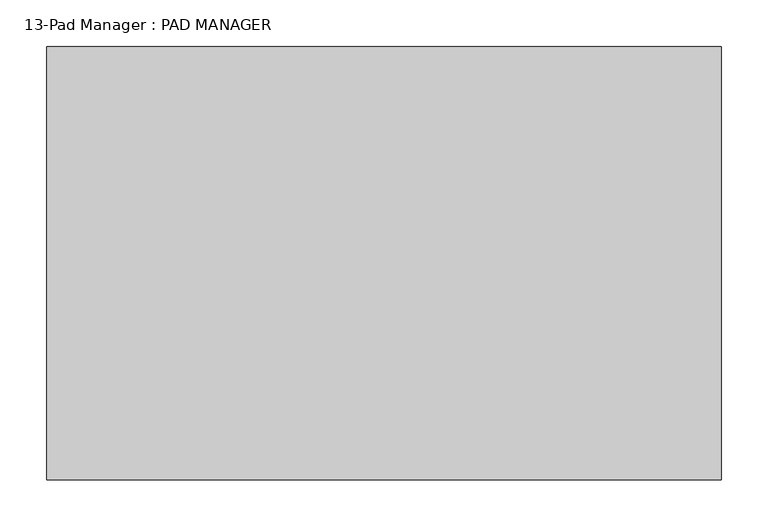
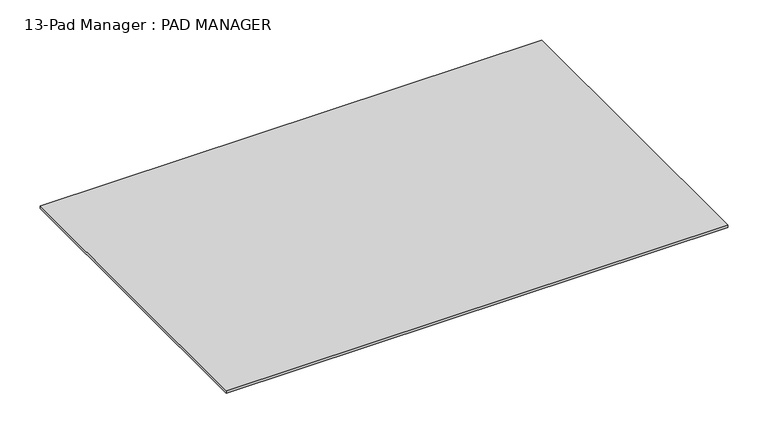
"""IFC4 building model written with IfcOpenShell, lengths in millimetres: furniture geometry, 13-Pad Manager : PAD MANAGER."""

from ifc_helpers import new_model, si_unit, origin, origin_with_axes, place, context, project, spatial, polyline, outline, extrude, source, transform, mapped, element, save


def furniture_13_pad_manager_pad_manager_993b4415(model_context):
    return source(origin(), model_context, "Body", "SweptSolid", [
        extrude(outline(polyline([(360.0, 231.5), (360.0, -231.5), (-360.0, -231.5), (-360.0, 231.5), (360.0, 231.5)])), origin_with_axes(), (0.0, 0.0, 1.0), 4.0),
    ])


if __name__ == "__main__":
    model = new_model("IFC4")
    model_context = context("Model", 3, world=origin())
    ifc_project = project(units=[si_unit("LENGTHUNIT", "METRE", prefix="MILLI")], contexts=[model_context])
    site = spatial("IfcSite", under=ifc_project)
    building = spatial("IfcBuilding", under=site)
    placement = place(None, origin())
    furniture_13_pad_manager_pad_manager_shape = furniture_13_pad_manager_pad_manager_993b4415(model_context)
    element("IfcFurniture", 1, ObjectType="13-Pad Manager : PAD MANAGER", at=placement, inside=building, context=model_context, shape_type="MappedRepresentation", body=[
        mapped(furniture_13_pad_manager_pad_manager_shape, transform((0.0, 0.0, 0.0), x_axis=(1.0, 0.0, 0.0), y_axis=(0.0, 1.0, 0.0), z_axis=(0.0, 0.0, 1.0))),
    ])
    save(model, "model.ifc")
